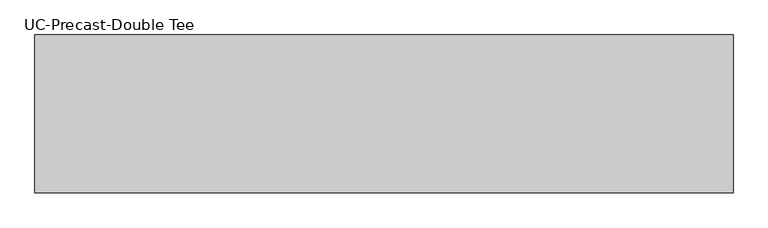
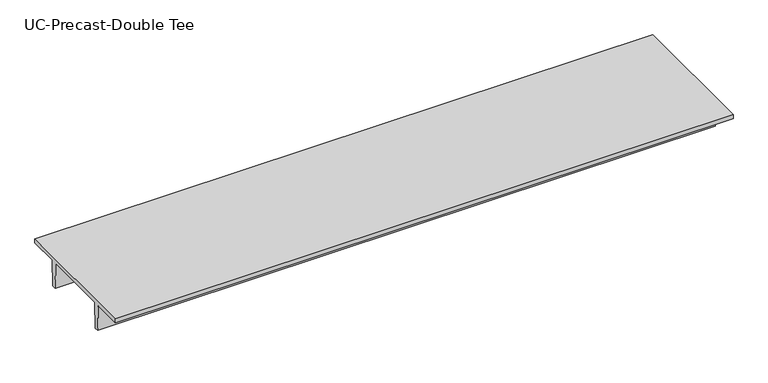
"""IFC4 building model written with IfcOpenShell, lengths in millimetres: beam geometry, UC-Precast-Double Tee."""

from ifc_helpers import new_model, si_unit, frame, origin, place, context, project, spatial, polyline, outline, extrude, source, transform, mapped, element, save


def uc_precast_double_tee_5d84f3ef(model_context):
    return source(origin(), model_context, "Body", "SweptSolid", [
        extrude(outline(polyline([(1727.2, 381.0), (1727.2, 279.4), (990.6, 279.4), (965.2, -381.0), (863.6, -381.0), (838.2, 279.4), (-838.2, 279.4), (-863.6, -381.0), (-965.2, -381.0), (-990.6, 279.4), (-1727.2, 279.4), (-1727.2, 381.0), (1727.2, 381.0)])), frame((-7670.8, 0.0, 0.0), z_axis=(1.0, 0.0, 0.0), x_axis=(0.0, 1.0, 0.0)), (0.0, 0.0, 1.0), 15290.8),
    ])


if __name__ == "__main__":
    model = new_model("IFC4")
    model_context = context("Model", 3, world=origin())
    ifc_project = project(units=[si_unit("LENGTHUNIT", "METRE", prefix="MILLI")], contexts=[model_context])
    site = spatial("IfcSite", under=ifc_project)
    building = spatial("IfcBuilding", under=site)
    placement = place(None, origin())
    uc_precast_double_tee_shape = uc_precast_double_tee_5d84f3ef(model_context)
    element("IfcBeam", 1, ObjectType="UC-Precast-Double Tee", at=placement, inside=building, context=model_context, shape_type="MappedRepresentation", body=[
        mapped(uc_precast_double_tee_shape, transform((0.0, 0.0, 0.0), x_axis=(1.0, 0.0, 0.0), y_axis=(0.0, 1.0, 0.0), z_axis=(0.0, 0.0, 1.0))),
    ])
    save(model, "model.ifc")
